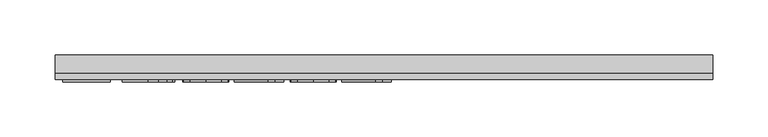
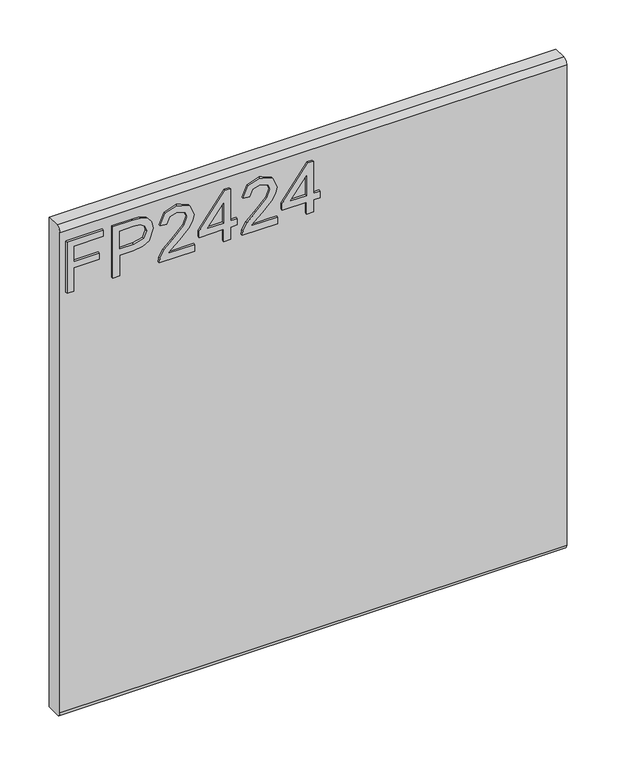
"""IFC4 building model written with IfcOpenShell, lengths in millimetres: furniture geometry."""

from ifc_helpers import new_model, si_unit, frame, origin, place, context, project, spatial, polyline, circle_curve, outline, extrude, source, transform, mapped, element, save
from ifc_brep_helpers import plane_surface, cylinder_surface, advanced_brep


def furniture_68f5f1b9(model_context):
    return source(origin(), model_context, "Body", "SolidModel", [
        extrude(outline(polyline([(679.45, -291.4729953), (679.45, -283.4992757), (708.3547336, -283.4992757), (708.3547336, -253.5978271), (716.3284532, -253.5978271), (716.3284532, -283.4992757), (735.2660373, -283.4992757), (735.2660373, -248.6142524), (743.2397569, -248.6142524), (743.2397569, -291.4729953), (679.45, -291.4729953)])), frame((0.0, -15.0812439, 0.0), z_axis=(0.0, 1.0, 0.0), x_axis=(0.0, 0.0, 1.0)), (0.0, 0.0, 1.0), 2.38125),
        extrude(outline(polyline([(679.45, -237.6503879), (679.45, -229.6766683), (705.3645888, -229.6766683), (705.3645888, -213.4644766), (706.774006, -202.1365776), (711.0022577, -194.9395948), (724.7849567, -189.8080702), (733.482852, -191.7080581), (739.6500257, -196.730567), (742.6323838, -204.4784684), (743.2397569, -214.0095551), (743.2397569, -237.6503879), (679.45, -237.6503879)]), holes=[polyline([(713.3383084, -229.6766683), (735.2660373, -229.6766683), (735.2660373, -213.1841506), (734.7209588, -205.2104309), (731.1078671, -199.8297276), (724.5046306, -197.7817898), (716.2661585, -201.2547185), (713.3383084, -212.9972665), (713.3383084, -229.6766683)])]), frame((0.0, -15.0812439, 0.0), z_axis=(0.0, 1.0, 0.0), x_axis=(0.0, 0.0, 1.0)), (0.0, 0.0, 1.0), 2.38125),
        extrude(outline(polyline([(687.4237196, -140.9690375), (687.4237196, -172.2876902), (691.4806609, -168.6901722), (699.150694, -159.5172799), (710.0756243, -148.0939921), (717.8936072, -143.3829566), (725.4546245, -141.9657525), (738.1315928, -147.2218665), (743.2397569, -161.4951361), (738.645524, -175.7216847), (725.2988878, -181.8343506), (724.3021729, -173.860631), (732.3537608, -170.5045048), (735.2660373, -161.6664465), (732.2836793, -153.1865825), (724.9718407, -149.9394721), (715.9391115, -153.3812534), (702.65477, -167.1483787), (693.4117962, -177.1311019), (684.9475059, -181.9745136), (679.45, -182.8310655), (679.45, -140.9690375), (687.4237196, -140.9690375)])), frame((0.0, -15.0812439, 0.0), z_axis=(0.0, 1.0, 0.0), x_axis=(0.0, 0.0, 1.0)), (0.0, 0.0, 1.0), 2.38125),
        extrude(outline(polyline([(679.45, -107.0807292), (679.45, -99.1070095), (694.4007243, -99.1070095), (694.4007243, -91.1332899), (702.3744439, -91.1332899), (702.3744439, -99.1070095), (742.243042, -99.1070095), (742.243042, -105.0872993), (702.3744439, -135.9854628), (694.4007243, -135.9854628), (694.4007243, -107.0807292), (679.45, -107.0807292)]), holes=[polyline([(702.3744439, -107.0807292), (702.3744439, -126.17405), (727.0119916, -107.0807292), (702.3744439, -107.0807292)])]), frame((0.0, -15.0812439, 0.0), z_axis=(0.0, 1.0, 0.0), x_axis=(0.0, 0.0, 1.0)), (0.0, 0.0, 1.0), 2.38125),
        extrude(outline(polyline([(687.4237196, -43.2909722), (687.4237196, -74.6096249), (691.4806609, -71.0121068), (699.150694, -61.8392145), (710.0756243, -50.4159268), (717.8936072, -45.7048912), (725.4546245, -44.2876872), (738.1315928, -49.5438012), (743.2397569, -63.8170708), (738.645524, -78.0436193), (725.2988878, -84.1562853), (724.3021729, -76.1825656), (732.3537608, -72.8264395), (735.2660373, -63.9883812), (732.2836793, -55.5085172), (724.9718407, -52.2614068), (715.9391115, -55.7031881), (702.65477, -69.4703134), (693.4117962, -79.4530366), (684.9475059, -84.2964483), (679.45, -85.1530002), (679.45, -43.2909722), (687.4237196, -43.2909722)])), frame((0.0, -15.0812439, 0.0), z_axis=(0.0, 1.0, 0.0), x_axis=(0.0, 0.0, 1.0)), (0.0, 0.0, 1.0), 2.38125),
        extrude(outline(polyline([(679.45, -9.4026638), (679.45, -1.4289442), (694.4007243, -1.4289442), (694.4007243, 6.5447754), (702.3744439, 6.5447754), (702.3744439, -1.4289442), (742.243042, -1.4289442), (742.243042, -7.4092339), (702.3744439, -38.3073975), (694.4007243, -38.3073975), (694.4007243, -9.4026638), (679.45, -9.4026638)]), holes=[polyline([(702.3744439, -9.4026638), (702.3744439, -28.4959846), (727.0119916, -9.4026638), (702.3744439, -9.4026638)])]), frame((0.0, -15.0812439, 0.0), z_axis=(0.0, 1.0, 0.0), x_axis=(0.0, 0.0, 1.0)), (0.0, 0.0, 1.0), 2.38125),
        advanced_brep(
        [(298.45, 9.5250061, 762.0), (298.45, -6.7309939, 762.0), (298.45, -12.6999939, 756.031), (298.45, -12.6999939, 158.369), (298.45, -6.7309939, 152.4), (298.45, 9.5250061, 152.4), (-298.45, 9.5250061, 762.0), (-298.45, 9.5250061, 152.4), (-298.45, -6.7309939, 152.4), (-298.45, -12.6999939, 158.369), (-298.45, -12.6999939, 756.0310121), (-298.45, -6.7309939, 762.0)],
        [
            (0, 1),
            (1, 2, circle_curve(frame((298.45, -6.7309939, 756.031), z_axis=(1.0, 0.0, 0.0), x_axis=(0.0, 1.0, 0.0)), 5.969)),
            (2, 3),
            (3, 4, circle_curve(frame((298.45, -6.7309939, 158.369), z_axis=(1.0, 0.0, 0.0), x_axis=(0.0, 1.0, 0.0)), 5.969)),
            (4, 5),
            (5, 0),
            (6, 7),
            (7, 8),
            (8, 9, circle_curve(frame((-298.45, -6.7309939, 158.369), z_axis=(-1.0, 0.0, 0.0), x_axis=(0.0, 1.0, 0.0)), 5.969)),
            (9, 10),
            (10, 11, circle_curve(frame((-298.45, -6.7309939, 756.031), z_axis=(-1.0, 0.0, 0.0), x_axis=(0.0, 1.0, 0.0)), 5.969)),
            (11, 6),
            (0, 6),
            (11, 1),
            (10, 2),
            (9, 3),
            (8, 4),
            (7, 5),
        ],
        [
            plane_surface(frame((298.45, -6.7309939, 762.0), z_axis=(1.0, 0.0, 0.0), x_axis=(0.0, -1.0, 0.0))),
            plane_surface(frame((-298.45, -6.7309939, 762.0), z_axis=(-1.0, 0.0, 0.0), x_axis=(0.0, 1.0, 0.0))),
            plane_surface(frame((298.45, 9.5250061, 762.0), z_axis=(0.0, 0.0, 1.0), x_axis=(-1.0, 0.0, 0.0))),
            cylinder_surface(frame((-298.45, -6.7309939, 756.031), z_axis=(1.0, 0.0, 0.0), x_axis=(0.0, 1.0, 0.0)), 5.969),
            plane_surface(frame((298.45, -12.6999939, 756.0310121), z_axis=(0.0, -1.0, 0.0), x_axis=(-1.0, 0.0, 0.0))),
            cylinder_surface(frame((-298.45, -6.7309939, 158.369), z_axis=(1.0, 0.0, 0.0), x_axis=(0.0, 1.0, 0.0)), 5.969),
            plane_surface(frame((298.45, -6.7309939, 152.4), z_axis=(0.0, 0.0, -1.0), x_axis=(-1.0, 0.0, 0.0))),
            plane_surface(frame((298.45, 9.5250061, 152.4), z_axis=(0.0, 1.0, 0.0), x_axis=(-1.0, 0.0, 0.0))),
        ],
        [
            (0, [[1, 2, 3, 4, 5, 6]]),
            (1, [[7, 8, 9, 10, 11, 12]]),
            (2, [[-1, 13, -12, 14]]),
            (3, [[-2, -14, -11, 15]]),
            (4, [[-3, -15, -10, 16]]),
            (5, [[-4, -16, -9, 17]]),
            (6, [[-5, -17, -8, 18]]),
            (7, [[-6, -18, -7, -13]]),
        ],
    ),
    ])


if __name__ == "__main__":
    model = new_model("IFC4")
    model_context = context("Model", 3, world=origin())
    ifc_project = project(units=[si_unit("LENGTHUNIT", "METRE", prefix="MILLI")], contexts=[model_context])
    site = spatial("IfcSite", under=ifc_project)
    building = spatial("IfcBuilding", under=site)
    placement = place(None, origin())
    furniture_shape = furniture_68f5f1b9(model_context)
    element("IfcFurniture", 1, at=placement, inside=building, context=model_context, shape_type="MappedRepresentation", body=[
        mapped(furniture_shape, transform((0.0, 0.0, 0.0), x_axis=(1.0, 0.0, 0.0), y_axis=(0.0, 1.0, 0.0), z_axis=(0.0, 0.0, 1.0))),
    ])
    save(model, "model.ifc")
